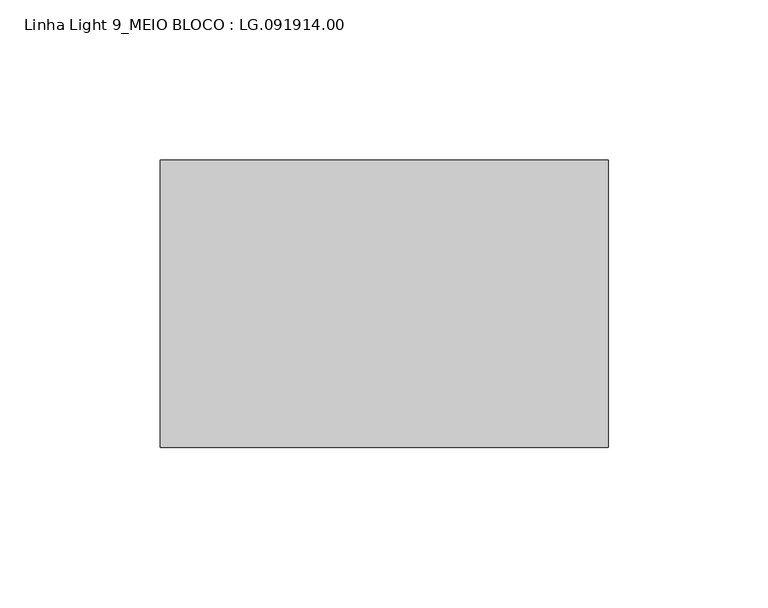
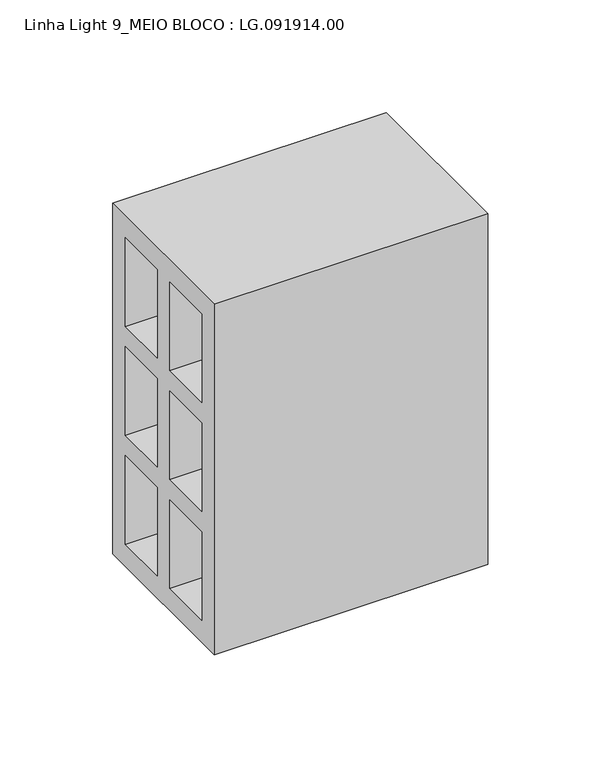
"""IFC4 building model written with IfcOpenShell, lengths in millimetres: proxy geometry, Linha Light 9_MEIO BLOCO : LG.091914.00."""

from ifc_helpers import new_model, si_unit, frame, origin, place, context, project, spatial, polyline, outline, extrude, source, transform, mapped, element, save


def linha_light_9_meio_bloco_lg_091914_00_e60b5dce(model_context):
    return source(origin(), model_context, "Body", "SweptSolid", [
        extrude(outline(polyline([(-45.0, 0.0), (-45.0, 190.0), (45.0, 190.0), (45.0, 0.0), (-45.0, 0.0)]), holes=[polyline([(5.5, 178.0), (5.5, 130.0), (34.0, 130.0), (34.0, 178.0), (5.5, 178.0)]), polyline([(-34.0, 178.0), (-34.0, 130.0), (-5.5, 130.0), (-5.5, 178.0), (-34.0, 178.0)]), polyline([(-5.5, 119.0), (-34.0, 119.0), (-34.0, 71.0), (-5.5, 71.0), (-5.5, 119.0)]), polyline([(34.0, 71.0), (34.0, 119.0), (5.5, 119.0), (5.5, 71.0), (34.0, 71.0)]), polyline([(34.0, 60.0), (5.5, 60.0), (5.5, 12.0), (34.0, 12.0), (34.0, 60.0)]), polyline([(-5.5, 60.0), (-34.0, 60.0), (-34.0, 12.0), (-5.5, 12.0), (-5.5, 60.0)])]), frame((5.0, 0.0, 0.0), z_axis=(1.0, 0.0, 0.0), x_axis=(0.0, 1.0, 0.0)), (0.0, 0.0, 1.0), 140.0),
    ])


if __name__ == "__main__":
    model = new_model("IFC4")
    model_context = context("Model", 3, world=origin())
    ifc_project = project(units=[si_unit("LENGTHUNIT", "METRE", prefix="MILLI")], contexts=[model_context])
    site = spatial("IfcSite", under=ifc_project)
    building = spatial("IfcBuilding", under=site)
    placement = place(None, origin())
    linha_light_9_meio_bloco_lg_091914_00_shape = linha_light_9_meio_bloco_lg_091914_00_e60b5dce(model_context)
    element("IfcBuildingElementProxy", 1, Name="Linha Light 9_MEIO BLOCO : LG.091914.00", ObjectType="Linha Light 9_MEIO BLOCO : LG.091914.00", at=placement, inside=building, context=model_context, shape_type="MappedRepresentation", body=[
        mapped(linha_light_9_meio_bloco_lg_091914_00_shape, transform((0.0, 0.0, 0.0), x_axis=(1.0, 0.0, 0.0), y_axis=(0.0, 1.0, 0.0), z_axis=(0.0, 0.0, 1.0))),
    ])
    save(model, "model.ifc")
